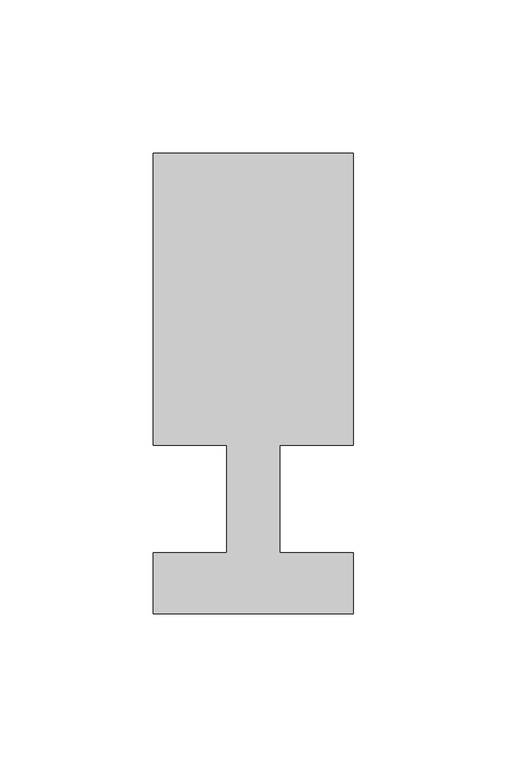
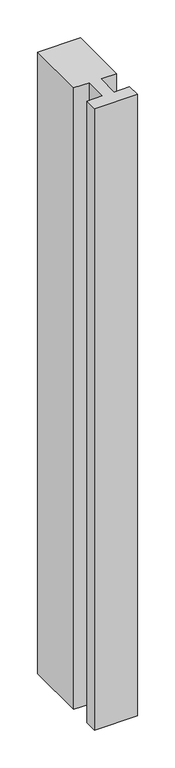
"""IFC4 building model written with IfcOpenShell, lengths in millimetres: member geometry."""

import ifcopenshell
import ifcopenshell.guid

model = None  # the IFC model being written
_history = None  # IfcOwnerHistory: only IFC2X3 demands one
_inside = {}  # id of a spatial element -> (the spatial element, [elements in it])
_under = {}  # id of a project, library or spatial element -> (it, [spatial elements below it])
_declared = {}  # id of a project -> (the project, [libraries it declares])
_typed = {}  # id of a type object -> (the type object, [elements of that type])
_made_of = {}  # id of a material, layer set ... -> (it, [elements and type objects made of it])


def new_model(schema):
    """Start an empty IFC model of exactly this schema.

    Asked for "IFC4X3", IfcOpenShell would pick the latest addendum, in which some entities
    have other attributes; the version numbers below select the first issue.
    IFC2X3 requires an IfcOwnerHistory on every rooted entity: one is made here for all.
    """
    global model, _history
    if schema == "IFC4X3":
        model = ifcopenshell.file(schema_version=(4, 3, 0, 0))
    else:
        model = ifcopenshell.file(schema=schema)
    _inside.clear()
    _under.clear()
    _declared.clear()
    _typed.clear()
    _made_of.clear()
    _history = None
    if model.schema == "IFC2X3":
        org = make("IfcOrganization", Name="unknown")
        user = make(
            "IfcPersonAndOrganization",
            ThePerson=make("IfcPerson", FamilyName="unknown"),
            TheOrganization=org,
        )
        app = make(
            "IfcApplication",
            ApplicationDeveloper=org,
            Version="unknown",
            ApplicationFullName="unknown",
            ApplicationIdentifier="unknown",
        )
        _history = make(
            "IfcOwnerHistory",
            OwningUser=user,
            OwningApplication=app,
            ChangeAction="ADDED",
            CreationDate=0,
        )
    return model


def make(cls, **values):
    """One entity of the class cls with the attributes given. An attribute that is None is left unset."""
    return model.create_entity(
        cls, **{name: value for name, value in values.items() if value is not None}
    )


def rooted(cls, **values):
    """An entity with a GlobalId (a new one), such as an element, a storey or a relation."""
    return make(cls, GlobalId=ifcopenshell.guid.new(), OwnerHistory=_history, **values)


def si_unit(unit_type, name, prefix=None):
    """IfcSIUnit, for example si_unit("LENGTHUNIT", "METRE", prefix="MILLI")."""
    return make("IfcSIUnit", UnitType=unit_type, Prefix=prefix, Name=name)


def assignment(units):
    """IfcUnitAssignment: the units of a project."""
    return None if units is None else make("IfcUnitAssignment", Units=units)


def point(xyz):
    """IfcCartesianPoint."""
    return None if xyz is None else make("IfcCartesianPoint", Coordinates=xyz)


def direction(xyz):
    """IfcDirection."""
    return None if xyz is None else make("IfcDirection", DirectionRatios=xyz)


def frame(location, z_axis=None, x_axis=None):
    """IfcAxis2Placement3D, a coordinate frame: its origin and axes. An axis left out is left unset."""
    return make(
        "IfcAxis2Placement3D",
        Location=point(location),
        Axis=direction(z_axis),
        RefDirection=direction(x_axis),
    )


def origin():
    """The frame at (0, 0, 0) with its axes left unset."""
    return frame((0.0, 0.0, 0.0))


def place(relative_to, where):
    """IfcLocalPlacement: puts the frame where relative to a parent placement (None: the world)."""
    return make(
        "IfcLocalPlacement", PlacementRelTo=relative_to, RelativePlacement=where
    )


def context(
    kind, dimensions, precision=None, world=None, true_north=None, identifier=None
):
    """IfcGeometricRepresentationContext, for example the 3D "Model" context."""
    return make(
        "IfcGeometricRepresentationContext",
        ContextIdentifier=identifier,
        ContextType=kind,
        CoordinateSpaceDimension=dimensions,
        Precision=precision,
        WorldCoordinateSystem=world,
        TrueNorth=true_north,
    )


def project(units=None, contexts=None):
    """IfcProject with its units and contexts."""
    return rooted(
        "IfcProject",
        Name="project",
        RepresentationContexts=contexts,
        UnitsInContext=assignment(units),
    )


def spatial(cls, under=None, at=None, **own):
    """A site, building, storey or space (cls), placed at a placement, below another one or the project."""
    s = rooted(cls, ObjectPlacement=at, **own)
    if under is not None:
        _under.setdefault(under.id(), (under, []))[1].append(s)
    return s


def polyline(points):
    """IfcPolyline through the points."""
    return make("IfcPolyline", Points=[point(p) for p in points])


def outline(outer, holes=None, kind="AREA"):
    """IfcArbitraryClosedProfileDef: a profile drawn as a closed curve; with holes, ...WithVoids."""
    if holes is None:
        return make("IfcArbitraryClosedProfileDef", ProfileType=kind, OuterCurve=outer)
    return make(
        "IfcArbitraryProfileDefWithVoids",
        ProfileType=kind,
        OuterCurve=outer,
        InnerCurves=holes,
    )


def extrude(swept, where, along, depth):
    """IfcExtrudedAreaSolid: the profile swept, set in the frame where, extruded along a direction by depth."""
    return make(
        "IfcExtrudedAreaSolid",
        SweptArea=swept,
        Position=where,
        ExtrudedDirection=direction(along),
        Depth=depth,
    )


def shape(context_of_items, identifier, shape_type, items):
    """IfcShapeRepresentation: the items that make up one representation, for example the "Body"."""
    return make(
        "IfcShapeRepresentation",
        ContextOfItems=context_of_items,
        RepresentationIdentifier=identifier,
        RepresentationType=shape_type,
        Items=items,
    )


def source(mapping_origin, context_of_items, identifier, shape_type, items):
    """IfcRepresentationMap: a shape defined once, which mapped items show again and again."""
    return make(
        "IfcRepresentationMap",
        MappingOrigin=mapping_origin,
        MappedRepresentation=shape(context_of_items, identifier, shape_type, items),
    )


def transform(
    local_origin,
    x_axis=None,
    y_axis=None,
    z_axis=None,
    scale=None,
    scale2=None,
    scale3=None,
    uniform=True,
):
    """IfcCartesianTransformationOperator3D, or its non-uniform kind. x_axis, y_axis, z_axis: its Axis1, 2, 3."""
    if uniform:
        return make(
            "IfcCartesianTransformationOperator3D",
            Axis1=direction(x_axis),
            Axis2=direction(y_axis),
            LocalOrigin=point(local_origin),
            Scale=scale,
            Axis3=direction(z_axis),
        )
    return make(
        "IfcCartesianTransformationOperator3DnonUniform",
        Axis1=direction(x_axis),
        Axis2=direction(y_axis),
        LocalOrigin=point(local_origin),
        Scale=scale,
        Axis3=direction(z_axis),
        Scale2=scale2,
        Scale3=scale3,
    )


def mapped(mapping_source, mapping_target):
    """IfcMappedItem: shows the shape of a source again, moved by a transform."""
    return make(
        "IfcMappedItem", MappingSource=mapping_source, MappingTarget=mapping_target
    )


def made_of(thing, what):
    """Note that an element or type object is made of a material, layer set ...; save() writes the relation."""
    if what is not None:
        _made_of.setdefault(what.id(), (what, []))[1].append(thing)
    return thing


def element(
    cls,
    number,
    at=None,
    inside=None,
    cuts=None,
    type_object=None,
    material=None,
    context=None,
    identifier="Body",
    shape_type=None,
    held_by="IfcProductDefinitionShape",
    body=None,
    shapes=None,
    **own,
):
    """One element of the class cls, such as IfcWall. Its Tag is "e" and its number.

    at: its placement. inside: the storey or other place that contains it. cuts: it is an
    opening in that element (IfcRelVoidsElement). A single representation is given by context,
    identifier, shape_type and body (its items); several are given by shapes. held_by: the class
    of the entity that holds the representations. save() writes the other relations.
    """
    e = rooted(cls, Tag="e%d" % number, ObjectPlacement=at, **own)
    if body is not None:
        shapes = [shape(context, identifier, shape_type, body)]
    if shapes is not None:
        e.Representation = make(held_by, Representations=shapes)
    if inside is not None:
        _inside.setdefault(inside.id(), (inside, []))[1].append(e)
    if cuts is not None:
        rooted(
            "IfcRelVoidsElement", RelatingBuildingElement=cuts, RelatedOpeningElement=e
        )
    if type_object is not None:
        _typed.setdefault(type_object.id(), (type_object, []))[1].append(e)
    return made_of(e, material)


def aggregate(whole, parts):
    """IfcRelAggregates: a whole, such as a stair, and the parts it consists of."""
    return rooted("IfcRelAggregates", RelatingObject=whole, RelatedObjects=parts)


def save(model, path):
    """Write the relations noted so far, then the file.

    IfcRelAggregates (storeys below a building ...), IfcRelContainedInSpatialStructure (elements
    in a storey), IfcRelDefinesByType, IfcRelAssociatesMaterial and IfcRelDeclares: one each for
    every whole, place, type object, material and project.
    """
    for whole, parts in _under.values():
        aggregate(whole, parts)
    for where, things in _inside.values():
        rooted(
            "IfcRelContainedInSpatialStructure",
            RelatedElements=things,
            RelatingStructure=where,
        )
    for kind, things in _typed.values():
        rooted("IfcRelDefinesByType", RelatedObjects=things, RelatingType=kind)
    for what, things in _made_of.values():
        rooted("IfcRelAssociatesMaterial", RelatedObjects=things, RelatingMaterial=what)
    for by, libraries in _declared.values():
        rooted("IfcRelDeclares", RelatingContext=by, RelatedDefinitions=libraries)
    model.write(path)


def member_cdd2494f(model_context):
    return source(origin(), model_context, "Body", "SweptSolid", [
        extrude(outline(polyline([(0.0, -37.0), (-65.0, -37.0), (-65.0, -17.0), (-41.1875, -17.0), (-41.1875, 18.0), (-65.0, 18.0), (-65.0, 113.0), (0.0, 113.0), (0.0, 18.0), (-23.8125, 18.0), (-23.8125, -17.0), (0.0, -17.0), (0.0, -37.0)])), frame((0.0, 0.0, -1000.0), z_axis=(0.0, 0.0, 1.0), x_axis=(1.0, 0.0, 0.0)), (0.0, 0.0, 1.0), 1000.0),
    ])


if __name__ == "__main__":
    model = new_model("IFC4")
    model_context = context("Model", 3, world=origin())
    ifc_project = project(units=[si_unit("LENGTHUNIT", "METRE", prefix="MILLI")], contexts=[model_context])
    site = spatial("IfcSite", under=ifc_project)
    building = spatial("IfcBuilding", under=site)
    placement = place(None, origin())
    member_shape = member_cdd2494f(model_context)
    element("IfcMember", 1, at=placement, inside=building, context=model_context, shape_type="MappedRepresentation", body=[
        mapped(member_shape, transform((0.0, 0.0, 0.0), x_axis=(1.0, 0.0, 0.0), y_axis=(0.0, 1.0, 0.0), z_axis=(0.0, 0.0, 1.0))),
    ])
    save(model, "model.ifc")
